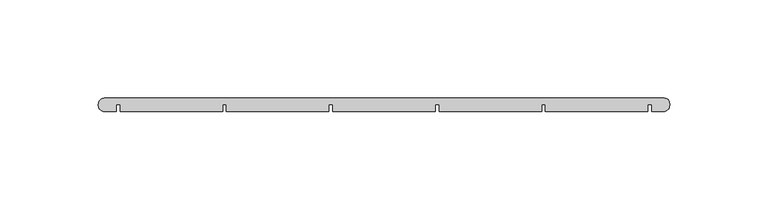
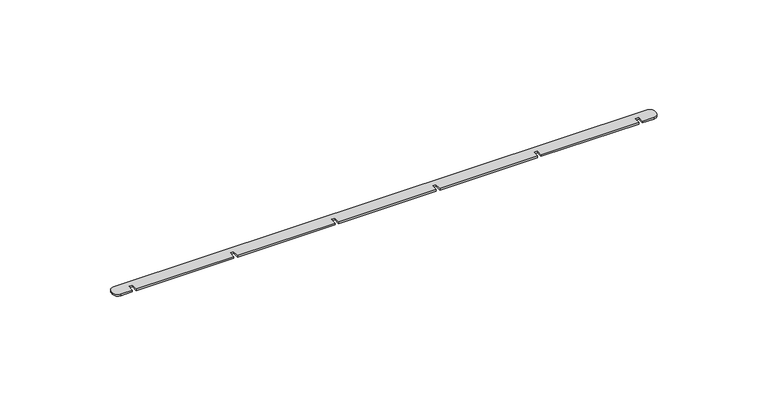
"""IFC4 building model written with IfcOpenShell, lengths in millimetres: proxy geometry."""

from ifc_helpers import new_model, si_unit, point, frame_2d, origin, origin_with_axes, place, context, project, spatial, polyline, circle_curve, trimmed, segment, composite_curve, outline, extrude, source, transform, mapped, element, save


def generic_models_b8d9fc63(model_context):
    return source(origin(), model_context, "Body", "SweptSolid", [
        extrude(outline(composite_curve([segment(trimmed(circle_curve(frame_2d((-7.0261725, 3.7261725)), 2.9738275), [point((-10.0, 3.7261725))], [point((-7.0261725, 6.7))], False, "CARTESIAN"), True, "CONTINUOUS"), segment(polyline([(-7.0261725, 6.7), (277.3787317, 6.7)]), True, "CONTINUOUS"), segment(trimmed(circle_curve(frame_2d((277.3787317, 4.0787317)), 2.6212683), [point((277.3787317, 6.7))], [point((280.0, 4.0787317))], False, "CARTESIAN"), True, "CONTINUOUS"), segment(polyline([(280.0, 4.0787317), (280.0, 3.0019858)]), True, "CONTINUOUS"), segment(trimmed(circle_curve(frame_2d((276.9980142, 3.0019858)), 3.0019858), [point((280.0, 3.0019858))], [point((276.9980142, 0.0))], False, "CARTESIAN"), True, "CONTINUOUS"), segment(polyline([(276.9980142, 0.0), (271.0, 0.0), (271.0, 3.4215077), (269.0, 3.4215077), (269.0, 0.0), (217.0, 0.0), (217.0, 3.4215077), (215.0, 3.4215077), (215.0, 0.0), (163.0, 0.0), (163.0, 3.4215077), (161.0, 3.4215077), (161.0, 0.0), (109.0, 0.0), (109.0, 3.4215077), (107.0, 3.4215077), (107.0, 0.0), (55.0, 0.0), (55.0, 3.4215077), (53.0, 3.4215077), (53.0, 0.0), (1.0, 0.0), (1.0, 3.4215077), (-1.0, 3.4215077), (-1.0, 0.0), (-7.0712409, 0.0)]), True, "CONTINUOUS"), segment(trimmed(circle_curve(frame_2d((-7.0712409, 2.9287591)), 2.9287591), [point((-7.0712409, 0.0))], [point((-10.0, 2.9287591))], False, "CARTESIAN"), True, "CONTINUOUS"), segment(polyline([(-10.0, 2.9287591), (-10.0, 3.7261725)]), True, "CONTINUOUS")], self_intersect=False)), origin_with_axes(), (0.0, 0.0, 1.0), 1.0),
    ])


if __name__ == "__main__":
    model = new_model("IFC4")
    model_context = context("Model", 3, world=origin())
    ifc_project = project(units=[si_unit("LENGTHUNIT", "METRE", prefix="MILLI")], contexts=[model_context])
    site = spatial("IfcSite", under=ifc_project)
    building = spatial("IfcBuilding", under=site)
    placement = place(None, origin())
    generic_models_shape = generic_models_b8d9fc63(model_context)
    element("IfcBuildingElementProxy", 1, Name="Generic Models", at=placement, inside=building, context=model_context, shape_type="MappedRepresentation", body=[
        mapped(generic_models_shape, transform((0.0, 0.0, 0.0), x_axis=(1.0, 0.0, 0.0), y_axis=(0.0, 1.0, 0.0), z_axis=(0.0, 0.0, 1.0))),
    ])
    save(model, "model.ifc")
